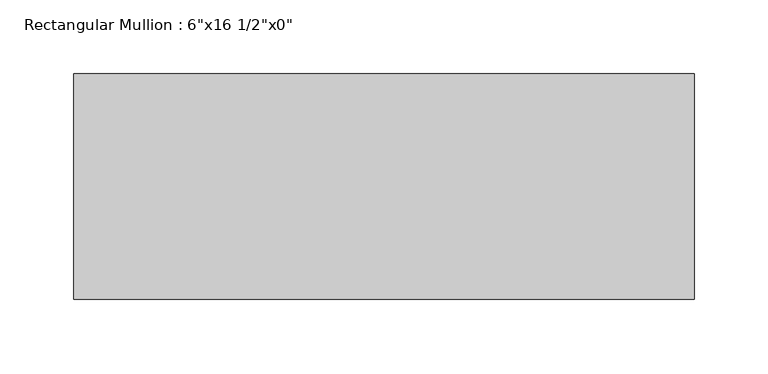
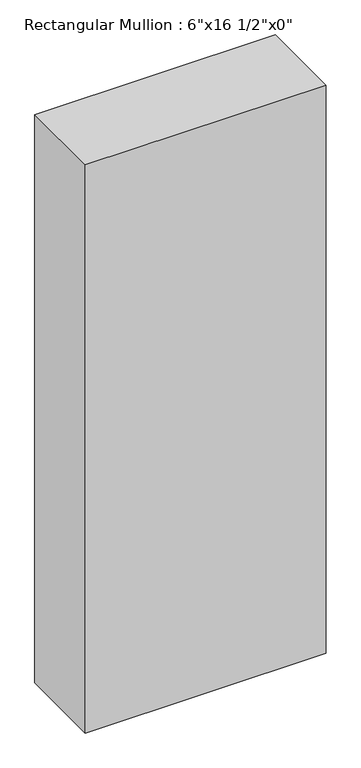
"""IFC4 building model written with IfcOpenShell, lengths in millimetres: member geometry."""

from ifc_helpers import new_model, si_unit, frame, origin, place, context, project, spatial, polyline, outline, extrude, source, transform, mapped, element, save


def member_ad38e171(model_context):
    return source(origin(), model_context, "Body", "SweptSolid", [
        extrude(outline(polyline([(0.0, 76.2), (0.0, -76.2), (-419.1, -76.2), (-419.1, 76.2), (0.0, 76.2)])), frame((0.0, 0.0, -1045.6333333), z_axis=(0.0, 0.0, 1.0), x_axis=(1.0, 0.0, 0.0)), (0.0, 0.0, 1.0), 1045.6333333),
    ])


if __name__ == "__main__":
    model = new_model("IFC4")
    model_context = context("Model", 3, world=origin())
    ifc_project = project(units=[si_unit("LENGTHUNIT", "METRE", prefix="MILLI")], contexts=[model_context])
    site = spatial("IfcSite", under=ifc_project)
    building = spatial("IfcBuilding", under=site)
    placement = place(None, origin())
    member_shape = member_ad38e171(model_context)
    element("IfcMember", 1, ObjectType="Rectangular Mullion : 6\"x16 1/2\"x0\"", at=placement, inside=building, context=model_context, shape_type="MappedRepresentation", body=[
        mapped(member_shape, transform((0.0, 0.0, 0.0), x_axis=(1.0, 0.0, 0.0), y_axis=(0.0, 1.0, 0.0), z_axis=(0.0, 0.0, 1.0))),
    ])
    save(model, "model.ifc")
